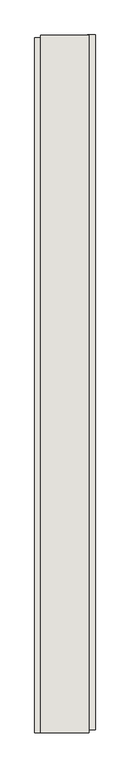
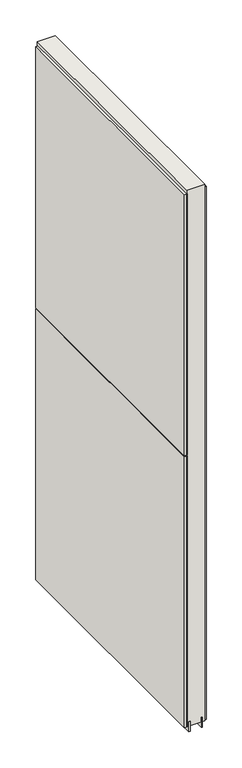
"""IFC4 building model written with IfcOpenShell, lengths in millimetres: wall geometry."""

from ifc_helpers import new_model, si_unit, frame, origin, place, context, project, spatial, polyline, outline, extrude, source, transform, mapped, element, save


def wall_ae3bcd30(model_context):
    return source(origin(), model_context, "Body", "SweptSolid", [
        extrude(outline(polyline([(76255.282211, -41849.632836), (76255.282211, -41852.172836), (76252.742211, -41852.172836), (76252.742211, -41849.632836), (76255.282211, -41849.632836)])), frame((0.0, 0.0, 4419.6), z_axis=(0.0, 0.0, 1.0), x_axis=(1.0, 0.0, 0.0)), (0.0, 0.0, 1.0), 2.54),
        extrude(outline(polyline([(76203.212211, -43018.4965638), (76203.212211, -41854.0965558), (76215.912211, -41854.0965558), (76215.912211, -43018.4965638), (76203.212211, -43018.4965638)])), frame((0.0, 0.0, 5742.4000722), z_axis=(0.0, 0.0, 1.0), x_axis=(1.0, 0.0, 0.0)), (0.0, 0.0, 1.0), 1247.649905),
        extrude(outline(polyline([(76203.212211, -43018.4965638), (76203.212211, -41854.0965558), (76215.912211, -41854.0965558), (76215.912211, -43018.4965638), (76203.212211, -43018.4965638)])), frame((0.0, 0.0, 4445.0), z_axis=(0.0, 0.0, 1.0), x_axis=(1.0, 0.0, 0.0)), (0.0, 0.0, 1.0), 1293.400004),
        extrude(outline(polyline([(76304.812211, -41849.166619), (76304.812211, -43013.566627), (76292.112211, -43013.566627), (76292.112211, -41849.166619), (76304.812211, -41849.166619)])), frame((0.0, 0.0, 4445.0), z_axis=(0.0, 0.0, 1.0), x_axis=(1.0, 0.0, 0.0)), (0.0, 0.0, 1.0), 2545.0498756),
        extrude(outline(polyline([(76228.9284664, -41849.6253938), (76228.9284664, -43018.0253938), (76223.849711, -43018.0253938), (76223.849711, -41849.6253938), (76228.9284664, -41849.6253938)])), frame((0.0, 0.0, 4418.6602), z_axis=(0.0, 0.0, 1.0), x_axis=(1.0, 0.0, 0.0)), (0.0, 0.0, 1.0), 47.625),
        extrude(outline(polyline([(76228.9284664, -41849.6253938), (76228.9284664, -43018.0253938), (76223.849711, -43018.0253938), (76223.849711, -41849.6253938), (76228.9284664, -41849.6253938)])), frame((0.0, 0.0, 4418.6602), z_axis=(0.0, 0.0, 1.0), x_axis=(1.0, 0.0, 0.0)), (0.0, 0.0, 1.0), 47.625),
        extrude(outline(polyline([(76279.0959556, -43018.0253938), (76279.0959556, -41849.6253938), (76284.174711, -41849.6253938), (76284.174711, -43018.0253938), (76279.0959556, -43018.0253938)])), frame((0.0, 0.0, 4418.6602), z_axis=(0.0, 0.0, 1.0), x_axis=(1.0, 0.0, 0.0)), (0.0, 0.0, 1.0), 47.625),
        extrude(outline(polyline([(76279.0959556, -43018.0253938), (76279.0959556, -41849.6253938), (76284.174711, -41849.6253938), (76284.174711, -43018.0253938), (76279.0959556, -43018.0253938)])), frame((0.0, 0.0, 4418.6602), z_axis=(0.0, 0.0, 1.0), x_axis=(1.0, 0.0, 0.0)), (0.0, 0.0, 1.0), 47.625),
        extrude(outline(polyline([(76213.3573266, -41849.6253938), (76294.6670954, -41849.6253938), (76294.6670954, -43018.0253938), (76213.3573266, -43018.0253938), (76213.3573266, -41849.6253938)])), frame((0.0, 0.0, 4445.0), z_axis=(0.0, 0.0, 1.0), x_axis=(1.0, 0.0, 0.0)), (0.0, 0.0, 1.0), 2562.4536762),
    ])


if __name__ == "__main__":
    model = new_model("IFC4")
    model_context = context("Model", 3, world=origin())
    ifc_project = project(units=[si_unit("LENGTHUNIT", "METRE", prefix="MILLI")], contexts=[model_context])
    site = spatial("IfcSite", under=ifc_project)
    building = spatial("IfcBuilding", under=site)
    placement = place(None, origin())
    wall_shape = wall_ae3bcd30(model_context)
    element("IfcWall", 1, at=placement, inside=building, context=model_context, shape_type="MappedRepresentation", body=[
        mapped(wall_shape, transform((0.0, 0.0, 0.0), x_axis=(1.0, 0.0, 0.0), y_axis=(0.0, 1.0, 0.0), z_axis=(0.0, 0.0, 1.0))),
    ])
    save(model, "model.ifc")
